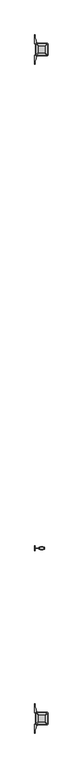
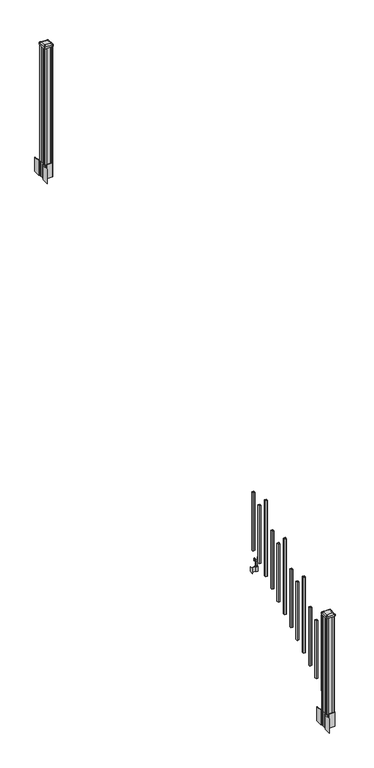
"""IFC4 building model written with IfcOpenShell, lengths in millimetres: railing geometry."""

from ifc_helpers import new_model, si_unit, point, frame, frame_2d, origin, place, context, project, spatial, polyline, circle_curve, trimmed, segment, composite_curve, outline, extrude, source, transform, mapped, element, save
from ifc_brep_helpers import plane_surface, extruded_surface, advanced_brep


def railing_63db56eb(model_context):
    return source(origin(), model_context, "Body", "SolidModel", [
        extrude(outline(polyline([(8341.1626478, -114690.6918453), (8322.1126478, -114690.6918453), (8322.1126478, -114671.6418453), (8341.1626478, -114671.6418453), (8341.1626478, -114690.6918453)]), holes=[polyline([(8340.7657728, -114690.2949703), (8340.7657728, -114672.0387203), (8322.5095228, -114672.0387203), (8322.5095228, -114690.2949703), (8340.7657728, -114690.2949703)])]), frame((0.0, 0.0, 1089.6558781), z_axis=(0.0, 0.0, 1.0), x_axis=(1.0, 0.0, 0.0)), (0.0, 0.0, 1.0), 622.3041219),
        extrude(outline(polyline([(8320.969648, -114738.0628453), (8281.5996478, -114738.0628453), (8281.5996478, -114735.5228453), (8320.969648, -114735.5228453), (8320.969648, -114738.0628453)])), frame((0.0, 0.0, 902.49375), z_axis=(0.0, 0.0, 1.0), x_axis=(1.0, 0.0, 0.0)), (0.0, 0.0, 1.0), 50.8),
        extrude(outline(polyline([(8281.5996478, -114755.8428453), (8279.0596478, -114755.8428453), (8279.0596478, -114717.7428453), (8281.5996478, -114717.7428453), (8281.5996478, -114755.8428453)])), frame((0.0, 0.0, 902.49375), z_axis=(0.0, 0.0, 1.0), x_axis=(1.0, 0.0, 0.0)), (0.0, 0.0, 1.0), 50.8),
        extrude(outline(polyline([(8342.3056485, -114746.6988453), (8320.969648, -114746.6988453), (8320.969648, -114726.8868453), (8342.3056485, -114726.8868453), (8342.3056485, -114746.6988453)]), holes=[polyline([(8339.0036484, -114744.1588453), (8339.0036484, -114729.4268453), (8324.2716481, -114729.4268453), (8324.2716481, -114744.1588453), (8339.0036484, -114744.1588453)])]), frame((0.0, 0.0, 902.49375), z_axis=(0.0, 0.0, 1.0), x_axis=(1.0, 0.0, 0.0)), (0.0, 0.0, 1.0), 50.8),
        extrude(outline(polyline([(1042.0141479, 8313.4766489), (1041.2521469, 8312.7146479), (1014.7617523, 8312.7146479), (1013.9997513, 8313.4766489), (1013.9997513, 8323.509648), (1013.2377512, 8324.2716481), (949.7377512, 8324.2716481), (949.7377512, 8339.0036484), (1013.2377512, 8339.0036484), (1013.9997513, 8339.7656485), (1013.9997513, 8349.7986475), (1014.7617523, 8350.5606486), (1041.2521469, 8350.5606486), (1042.0141479, 8349.7986475), (1042.0141479, 8347.766648), (1040.9981453, 8346.7506482), (1030.5623581, 8346.7506482), (1029.5463573, 8347.766648), (1017.555751, 8347.766648), (1016.7937519, 8347.0046488), (1016.7937519, 8316.2706477), (1017.555751, 8315.5086485), (1029.5463573, 8315.5086485), (1030.5623581, 8316.5246483), (1040.9981453, 8316.5246483), (1042.0141479, 8315.5086485), (1042.0141479, 8313.4766489)]), holes=[polyline([(1013.9997513, 8335.0666481), (1013.2377512, 8335.8286482), (957.2307531, 8335.8286482), (956.4687531, 8335.0666481), (956.4687531, 8328.2086455), (957.2307503, 8327.4466483), (1013.2377512, 8327.4466483), (1013.9997513, 8328.2086483), (1013.9997513, 8335.0666481)])]), frame((0.0, -114744.1588453, 0.0), z_axis=(0.0, 1.0, 0.0), x_axis=(0.0, 0.0, 1.0)), (0.0, 0.0, 1.0), 14.732),
        extrude(outline(polyline([(8341.1626478, -114801.9438453), (8322.1126478, -114801.9438453), (8322.1126478, -114782.8938453), (8341.1626478, -114782.8938453), (8341.1626478, -114801.9438453)]), holes=[polyline([(8340.7657728, -114801.5469703), (8340.7657728, -114783.2907203), (8322.5095228, -114783.2907203), (8322.5095228, -114801.5469703), (8340.7657728, -114801.5469703)])]), frame((0.0, 0.0, 1020.1233781), z_axis=(0.0, 0.0, 1.0), x_axis=(1.0, 0.0, 0.0)), (0.0, 0.0, 1.0), 622.3041219),
        extrude(outline(polyline([(8341.1626478, -114913.1958453), (8322.1126478, -114913.1958453), (8322.1126478, -114894.1458453), (8341.1626478, -114894.1458453), (8341.1626478, -114913.1958453)]), holes=[polyline([(8340.7657728, -114912.7989703), (8340.7657728, -114894.5427203), (8322.5095228, -114894.5427203), (8322.5095228, -114912.7989703), (8340.7657728, -114912.7989703)])]), frame((0.0, 0.0, 950.5908781), z_axis=(0.0, 0.0, 1.0), x_axis=(1.0, 0.0, 0.0)), (0.0, 0.0, 1.0), 812.8041219),
        extrude(outline(polyline([(8341.1626478, -115024.4478453), (8322.1126478, -115024.4478453), (8322.1126478, -115005.3978453), (8341.1626478, -115005.3978453), (8341.1626478, -115024.4478453)]), holes=[polyline([(8340.7657728, -115024.0509703), (8340.7657728, -115005.7947203), (8322.5095228, -115005.7947203), (8322.5095228, -115024.0509703), (8340.7657728, -115024.0509703)])]), frame((0.0, 0.0, 881.0583781), z_axis=(0.0, 0.0, 1.0), x_axis=(1.0, 0.0, 0.0)), (0.0, 0.0, 1.0), 622.3041219),
        extrude(outline(polyline([(8341.1626478, -115135.6998453), (8322.1126478, -115135.6998453), (8322.1126478, -115116.6498453), (8341.1626478, -115116.6498453), (8341.1626478, -115135.6998453)]), holes=[polyline([(8340.7657728, -115135.3029703), (8340.7657728, -115117.0467203), (8322.5095228, -115117.0467203), (8322.5095228, -115135.3029703), (8340.7657728, -115135.3029703)])]), frame((0.0, 0.0, 811.5258781), z_axis=(0.0, 0.0, 1.0), x_axis=(1.0, 0.0, 0.0)), (0.0, 0.0, 1.0), 622.3041219),
        extrude(outline(polyline([(8341.1626478, -115246.9518453), (8322.1126478, -115246.9518453), (8322.1126478, -115227.9018453), (8341.1626478, -115227.9018453), (8341.1626478, -115246.9518453)]), holes=[polyline([(8340.7657728, -115246.5549703), (8340.7657728, -115228.2987203), (8322.5095228, -115228.2987203), (8322.5095228, -115246.5549703), (8340.7657728, -115246.5549703)])]), frame((0.0, 0.0, 741.9933781), z_axis=(0.0, 0.0, 1.0), x_axis=(1.0, 0.0, 0.0)), (0.0, 0.0, 1.0), 812.8041219),
        extrude(outline(polyline([(8341.1626478, -115358.2038453), (8322.1126478, -115358.2038453), (8322.1126478, -115339.1538453), (8341.1626478, -115339.1538453), (8341.1626478, -115358.2038453)]), holes=[polyline([(8340.7657728, -115357.8069703), (8340.7657728, -115339.5507203), (8322.5095228, -115339.5507203), (8322.5095228, -115357.8069703), (8340.7657728, -115357.8069703)])]), frame((0.0, 0.0, 672.4608781), z_axis=(0.0, 0.0, 1.0), x_axis=(1.0, 0.0, 0.0)), (0.0, 0.0, 1.0), 622.3041219),
        extrude(outline(polyline([(8341.1626478, -115469.4558453), (8322.1126478, -115469.4558453), (8322.1126478, -115450.4058453), (8341.1626478, -115450.4058453), (8341.1626478, -115469.4558453)]), holes=[polyline([(8340.7657728, -115469.0589703), (8340.7657728, -115450.8027203), (8322.5095228, -115450.8027203), (8322.5095228, -115469.0589703), (8340.7657728, -115469.0589703)])]), frame((0.0, 0.0, 602.9283781), z_axis=(0.0, 0.0, 1.0), x_axis=(1.0, 0.0, 0.0)), (0.0, 0.0, 1.0), 622.3041219),
        extrude(outline(polyline([(8341.1626478, -115580.7078453), (8322.1126478, -115580.7078453), (8322.1126478, -115561.6578453), (8341.1626478, -115561.6578453), (8341.1626478, -115580.7078453)]), holes=[polyline([(8340.7657728, -115580.3109703), (8340.7657728, -115562.0547203), (8322.5095228, -115562.0547203), (8322.5095228, -115580.3109703), (8340.7657728, -115580.3109703)])]), frame((0.0, 0.0, 533.3958781), z_axis=(0.0, 0.0, 1.0), x_axis=(1.0, 0.0, 0.0)), (0.0, 0.0, 1.0), 812.8041219),
        extrude(outline(polyline([(8341.1626478, -115691.9598453), (8322.1126478, -115691.9598453), (8322.1126478, -115672.9098453), (8341.1626478, -115672.9098453), (8341.1626478, -115691.9598453)]), holes=[polyline([(8340.7657728, -115691.5629703), (8340.7657728, -115673.3067203), (8322.5095228, -115673.3067203), (8322.5095228, -115691.5629703), (8340.7657728, -115691.5629703)])]), frame((0.0, 0.0, 463.8633781), z_axis=(0.0, 0.0, 1.0), x_axis=(1.0, 0.0, 0.0)), (0.0, 0.0, 1.0), 622.3041219),
        extrude(outline(polyline([(8341.1626478, -115803.2118453), (8322.1126478, -115803.2118453), (8322.1126478, -115784.1618453), (8341.1626478, -115784.1618453), (8341.1626478, -115803.2118453)]), holes=[polyline([(8340.7657728, -115802.8149703), (8340.7657728, -115784.5587203), (8322.5095228, -115784.5587203), (8322.5095228, -115802.8149703), (8340.7657728, -115802.8149703)])]), frame((0.0, 0.0, 394.3308781), z_axis=(0.0, 0.0, 1.0), x_axis=(1.0, 0.0, 0.0)), (0.0, 0.0, 1.0), 622.3041219),
        extrude(outline(polyline([(8341.1626478, -115914.4638453), (8322.1126478, -115914.4638453), (8322.1126478, -115895.4138453), (8341.1626478, -115895.4138453), (8341.1626478, -115914.4638453)]), holes=[polyline([(8340.7657728, -115914.0669703), (8340.7657728, -115895.8107203), (8322.5095228, -115895.8107203), (8322.5095228, -115914.0669703), (8340.7657728, -115914.0669703)])]), frame((0.0, 0.0, 324.7983781), z_axis=(0.0, 0.0, 1.0), x_axis=(1.0, 0.0, 0.0)), (0.0, 0.0, 1.0), 812.8041219),
        extrude(outline(polyline([(8291.9501478, -111080.3358453), (8290.3626478, -111078.7483453), (8290.3626478, -111059.1268453), (8291.9501478, -111058.3648453), (8291.9501478, -111019.7568453), (8290.3626478, -111018.9948453), (8290.3626478, -110999.3733453), (8291.9501478, -110997.7858453), (8311.5716478, -110997.7858453), (8312.3336478, -110999.3733453), (8350.9416478, -110999.3733453), (8351.7036478, -110997.7858453), (8371.3251478, -110997.7858453), (8372.9126478, -110999.3733453), (8372.9126478, -111018.9948453), (8371.3251478, -111019.7568453), (8371.3251478, -111058.3648453), (8372.9126478, -111059.1268453), (8372.9126478, -111078.7483453), (8371.3251478, -111080.3358453), (8351.7036478, -111080.3358453), (8350.9416478, -111078.7483453), (8312.3336478, -111078.7483453), (8311.5716478, -111080.3358453), (8291.9501478, -111080.3358453)])), frame((0.0, 0.0, 3048.0), z_axis=(0.0, 0.0, 1.0), x_axis=(1.0, 0.0, 0.0)), (0.0, 0.0, 1.0), 1247.740513),
        extrude(outline(composite_curve([segment(polyline([(8374.3731478, -111056.4469401), (8375.9606478, -111057.2089401), (8375.9606478, -111080.0108682), (8372.5876707, -111083.3838453), (8311.1279999, -111083.3838453), (8311.1279999, -111084.3045953), (8305.8104561, -111084.3045953), (8305.8104561, -111085.75885), (8300.7259264, -111085.75885), (8300.7259264, -111087.0428738), (8299.0586541, -111087.0428738)]), True, "CONTINUOUS"), segment(trimmed(circle_curve(frame_2d((8299.0586541, -111094.1023337)), 7.0594599), [point((8299.0586541, -111087.0428738))], [point((8292.2913912, -111092.092327))], True, "CARTESIAN"), True, "CONTINUOUS"), segment(polyline([(8292.2913912, -111092.092327), (8284.4171969, -111118.6030561)]), True, "CONTINUOUS"), segment(trimmed(circle_curve(frame_2d((8339.2017103, -111134.8751057)), 57.15), [point((8284.4171969, -111118.6030561))], [point((8282.0517103, -111134.8751057))], True, "CARTESIAN"), True, "CONTINUOUS"), segment(polyline([(8282.0517103, -111134.8751057), (8282.0517103, -111146.8838453), (8279.0517103, -111146.8838453), (8279.0517103, -111081.7963453), (8287.3146478, -111070.458054), (8287.3146478, -111057.2089401), (8288.9021478, -111056.4469401), (8288.9021478, -111021.6747504), (8287.3146478, -111020.9127504), (8287.3146478, -111007.6636366), (8279.0517103, -110996.3253453), (8279.0517103, -110931.2378453), (8282.0517103, -110931.2378453), (8282.0517103, -110943.2465848)]), True, "CONTINUOUS"), segment(trimmed(circle_curve(frame_2d((8339.2017103, -110943.2465848)), 57.15), [point((8282.0517103, -110943.2465848))], [point((8284.4171969, -110959.5186345))], True, "CARTESIAN"), True, "CONTINUOUS"), segment(polyline([(8284.4171969, -110959.5186345), (8292.2913912, -110986.0293636)]), True, "CONTINUOUS"), segment(trimmed(circle_curve(frame_2d((8299.0586541, -110984.0193569)), 7.0594599), [point((8292.2913912, -110986.0293636))], [point((8299.0586541, -110991.0788168))], True, "CARTESIAN"), True, "CONTINUOUS"), segment(polyline([(8299.0586541, -110991.0788168), (8300.7259264, -110991.0788168), (8300.7259264, -110992.3628406), (8305.8104561, -110992.3628406), (8305.8104561, -110993.8170953), (8311.1279999, -110993.8170953), (8311.1279999, -110994.7378453), (8372.5876707, -110994.7378453), (8375.9606478, -110998.1108224), (8375.9606478, -111020.9127504), (8374.3731478, -111021.6747504), (8374.3731478, -111056.4469401)]), True, "CONTINUOUS")], self_intersect=False), holes=[polyline([(8290.3626478, -110999.3733453), (8290.3626478, -111078.7483453), (8291.9501478, -111080.3358453), (8328.8744304, -111080.3358453), (8371.3251478, -111080.3358453), (8372.9126478, -111078.7483453), (8372.9126478, -110999.3733453), (8371.3251478, -110997.7858453), (8328.8744304, -110997.7858453), (8291.9501478, -110997.7858453), (8290.3626478, -110999.3733453)])]), frame((0.0, 0.0, 2895.6), z_axis=(0.0, 0.0, 1.0), x_axis=(1.0, 0.0, 0.0)), (0.0, 0.0, 1.0), 152.4),
        advanced_brep(
        [(8305.8407728, -111068.0327203, 4324.315513), (8357.4345228, -111068.0327203, 4324.315513), (8360.6095228, -111064.8577203, 4324.315513), (8360.6095228, -111013.2639703, 4324.315513), (8357.4345228, -111010.0889703, 4324.315513), (8305.8407728, -111010.0889703, 4324.315513), (8302.6657728, -111013.2639703, 4324.315513), (8302.6657728, -111064.8577203, 4324.315513), (8289.5688978, -111084.3045953, 4313.012513), (8286.3938978, -111081.1295953, 4313.012513), (8286.3938978, -110996.9920953, 4313.012513), (8289.5688978, -110993.8170953, 4313.012513), (8373.7063978, -110993.8170953, 4313.012513), (8376.8813978, -110996.9920953, 4313.012513), (8376.8813978, -111081.1295953, 4313.012513), (8373.7063978, -111084.3045953, 4313.012513)],
        [
            (0, 1),
            (1, 2, circle_curve(frame((8357.4345228, -111064.8577203, 4324.315513), z_axis=(0.0, 0.0, 1.0), x_axis=(0.0, 1.0, 0.0)), 3.175)),
            (2, 3),
            (3, 4, circle_curve(frame((8357.4345228, -111013.2639703, 4324.315513), z_axis=(0.0, 0.0, 1.0), x_axis=(0.0, 1.0, 0.0)), 3.175)),
            (4, 5),
            (5, 6, circle_curve(frame((8305.8407728, -111013.2639703, 4324.315513), z_axis=(0.0, 0.0, 1.0), x_axis=(0.0, 1.0, 0.0)), 3.175)),
            (6, 7),
            (7, 0, circle_curve(frame((8305.8407728, -111064.8577203, 4324.315513), z_axis=(0.0, 0.0, 1.0), x_axis=(0.0, 1.0, 0.0)), 3.175)),
            (8, 9, circle_curve(frame((8289.5688978, -111081.1295953, 4313.012513), z_axis=(0.0, 0.0, -1.0), x_axis=(0.0, 1.0, 0.0)), 3.175)),
            (9, 10),
            (10, 11, circle_curve(frame((8289.5688978, -110996.9920953, 4313.012513), z_axis=(0.0, 0.0, -1.0), x_axis=(0.0, 1.0, 0.0)), 3.175)),
            (11, 12),
            (12, 13, circle_curve(frame((8373.7063978, -110996.9920953, 4313.012513), z_axis=(0.0, 0.0, -1.0), x_axis=(0.0, 1.0, 0.0)), 3.175)),
            (13, 14),
            (14, 15, circle_curve(frame((8373.7063978, -111081.1295953, 4313.012513), z_axis=(0.0, 0.0, -1.0), x_axis=(0.0, 1.0, 0.0)), 3.175)),
            (15, 8),
            (8, 0),
            (7, 9),
            (6, 10),
            (5, 11),
            (4, 12),
            (3, 13),
            (2, 14),
            (1, 15),
        ],
        [
            plane_surface(frame((8331.6376478, -111039.0608453, 4324.315513), z_axis=(0.0, 0.0, 1.0), x_axis=(-1.0, 0.0, 0.0))),
            plane_surface(frame((8331.6376478, -111039.0608453, 4313.012513), z_axis=(0.0, 0.0, -1.0), x_axis=(-1.0, 0.0, 0.0))),
            extruded_surface(trimmed(circle_curve(frame((8305.8407728, -111064.8577203, 4324.315513), z_axis=(0.0, 0.0, -1.0), x_axis=(0.0, 1.0, 0.0)), 3.175), [point((8305.8407728, -111068.0327203, 4324.315513))], [point((8302.6657728, -111064.8577203, 4324.315513))], True, "CARTESIAN"), (-16.271875000000364, -16.27187499999127, -11.302999999999884), 25.637972638860802),
            plane_surface(frame((8286.3938978, -111039.0608453, 4313.012513), z_axis=(-0.5705009161540687, 0.0, 0.8212969649690472), x_axis=(0.0, 1.0, 0.0))),
            extruded_surface(trimmed(circle_curve(frame((8305.8407728, -111013.2639703, 4324.315513), z_axis=(0.0, 0.0, -1.0), x_axis=(0.0, 1.0, 0.0)), 3.175), [point((8302.6657728, -111013.2639703, 4324.315513))], [point((8305.8407728, -111010.0889703, 4324.315513))], True, "CARTESIAN"), (-16.271875000000364, 16.27187500000582, -11.302999999999884), 25.637972638870036),
            plane_surface(frame((8331.6376478, -110993.8170953, 4313.012513), z_axis=(0.0, 0.5705009161540291, 0.8212969649690747), x_axis=(1.0, 0.0, 0.0))),
            extruded_surface(trimmed(circle_curve(frame((8357.4345228, -111013.2639703, 4324.315513), z_axis=(0.0, 0.0, -1.0), x_axis=(0.0, 1.0, 0.0)), 3.175), [point((8357.4345228, -111010.0889703, 4324.315513))], [point((8360.6095228, -111013.2639703, 4324.315513))], True, "CARTESIAN"), (16.271875000000364, 16.27187500000582, -11.302999999999884), 25.637972638870036),
            plane_surface(frame((8376.8813978, -111039.0608453, 4313.012513), z_axis=(0.5705009161540233, 0.0, 0.8212969649690787), x_axis=(0.0, -1.0, 0.0))),
            extruded_surface(trimmed(circle_curve(frame((8357.4345228, -111064.8577203, 4324.315513), z_axis=(0.0, 0.0, -1.0), x_axis=(0.0, 1.0, 0.0)), 3.175), [point((8360.6095228, -111064.8577203, 4324.315513))], [point((8357.4345228, -111068.0327203, 4324.315513))], True, "CARTESIAN"), (16.271875000000364, -16.27187499999127, -11.302999999999884), 25.637972638860802),
            plane_surface(frame((8331.6376478, -111084.3045953, 4313.012513), z_axis=(0.0, -0.570500916154034, 0.8212969649690713), x_axis=(-1.0, 0.0, 0.0))),
        ],
        [
            (0, [[1, 2, 3, 4, 5, 6, 7, 8]]),
            (1, [[9, 10, 11, 12, 13, 14, 15, 16]]),
            (2, [[17, -8, 18, -9]]),
            (3, [[-18, -7, 19, -10]]),
            (4, [[-19, -6, 20, -11]]),
            (5, [[-20, -5, 21, -12]]),
            (6, [[-21, -4, 22, -13]]),
            (7, [[-22, -3, 23, -14]]),
            (8, [[-23, -2, 24, -15]]),
            (9, [[-24, -1, -17, -16]]),
        ],
    ),
        extrude(outline(composite_curve([segment(trimmed(circle_curve(frame_2d((8289.5688978, -111081.1295953)), 3.175), [point((8289.5688978, -111084.3045953))], [point((8286.3938978, -111081.1295953))], False, "CARTESIAN"), True, "CONTINUOUS"), segment(polyline([(8286.3938978, -111081.1295953), (8286.3938978, -110996.9920953)]), True, "CONTINUOUS"), segment(trimmed(circle_curve(frame_2d((8289.5688978, -110996.9920953)), 3.175), [point((8286.3938978, -110996.9920953))], [point((8289.5688978, -110993.8170953))], False, "CARTESIAN"), True, "CONTINUOUS"), segment(polyline([(8289.5688978, -110993.8170953), (8373.7063978, -110993.8170953)]), True, "CONTINUOUS"), segment(trimmed(circle_curve(frame_2d((8373.7063978, -110996.9920953)), 3.175), [point((8373.7063978, -110993.8170953))], [point((8376.8813978, -110996.9920953))], False, "CARTESIAN"), True, "CONTINUOUS"), segment(polyline([(8376.8813978, -110996.9920953), (8376.8813978, -111081.1295953)]), True, "CONTINUOUS"), segment(trimmed(circle_curve(frame_2d((8373.7063978, -111081.1295953)), 3.175), [point((8376.8813978, -111081.1295953))], [point((8373.7063978, -111084.3045953))], False, "CARTESIAN"), True, "CONTINUOUS"), segment(polyline([(8373.7063978, -111084.3045953), (8289.5688978, -111084.3045953)]), True, "CONTINUOUS")], self_intersect=False)), frame((0.0, 0.0, 4295.740513), z_axis=(0.0, 0.0, 1.0), x_axis=(1.0, 0.0, 0.0)), (0.0, 0.0, 1.0), 17.272),
        extrude(outline(composite_curve([segment(polyline([(8374.3731478, -116016.0509401), (8375.9606478, -116016.8129401), (8375.9606478, -116039.6148682), (8372.5876707, -116042.9878453), (8311.1279999, -116042.9878453), (8311.1279999, -116043.9085953), (8305.8104561, -116043.9085953), (8305.8104561, -116045.36285), (8300.7259264, -116045.36285), (8300.7259264, -116046.6468738), (8299.0586541, -116046.6468738)]), True, "CONTINUOUS"), segment(trimmed(circle_curve(frame_2d((8299.0586541, -116053.7063337)), 7.0594599), [point((8299.0586541, -116046.6468738))], [point((8292.2913912, -116051.696327))], True, "CARTESIAN"), True, "CONTINUOUS"), segment(polyline([(8292.2913912, -116051.696327), (8284.4171969, -116078.2070561)]), True, "CONTINUOUS"), segment(trimmed(circle_curve(frame_2d((8339.2017103, -116094.4791057)), 57.15), [point((8284.4171969, -116078.2070561))], [point((8282.0517103, -116094.4791057))], True, "CARTESIAN"), True, "CONTINUOUS"), segment(polyline([(8282.0517103, -116094.4791057), (8282.0517103, -116106.4878453), (8279.0517103, -116106.4878453), (8279.0517103, -116041.4003453), (8287.3146478, -116030.062054), (8287.3146478, -116016.8129401), (8288.9021478, -116016.0509401), (8288.9021478, -115981.2787504), (8287.3146478, -115980.5167504), (8287.3146478, -115967.2676366), (8279.0517103, -115955.9293453), (8279.0517103, -115890.8418453), (8282.0517103, -115890.8418453), (8282.0517103, -115902.8505848)]), True, "CONTINUOUS"), segment(trimmed(circle_curve(frame_2d((8339.2017103, -115902.8505848)), 57.15), [point((8282.0517103, -115902.8505848))], [point((8284.4171969, -115919.1226345))], True, "CARTESIAN"), True, "CONTINUOUS"), segment(polyline([(8284.4171969, -115919.1226345), (8292.2913912, -115945.6333636)]), True, "CONTINUOUS"), segment(trimmed(circle_curve(frame_2d((8299.0586541, -115943.6233569)), 7.0594599), [point((8292.2913912, -115945.6333636))], [point((8299.0586541, -115950.6828168))], True, "CARTESIAN"), True, "CONTINUOUS"), segment(polyline([(8299.0586541, -115950.6828168), (8300.7259264, -115950.6828168), (8300.7259264, -115951.9668406), (8305.8104561, -115951.9668406), (8305.8104561, -115953.4210953), (8311.1279999, -115953.4210953), (8311.1279999, -115954.3418453), (8372.5876707, -115954.3418453), (8375.9606478, -115957.7148224), (8375.9606478, -115980.5167504), (8374.3731478, -115981.2787504), (8374.3731478, -116016.0509401)]), True, "CONTINUOUS")], self_intersect=False), holes=[polyline([(8290.3626478, -115958.9773453), (8290.3626478, -116038.3523453), (8291.9501478, -116039.9398453), (8328.8744304, -116039.9398453), (8371.3251478, -116039.9398453), (8372.9126478, -116038.3523453), (8372.9126478, -115958.9773453), (8371.3251478, -115957.3898453), (8328.8744304, -115957.3898453), (8291.9501478, -115957.3898453), (8290.3626478, -115958.9773453)])]), frame((0.0, 0.0, 12.22375), z_axis=(0.0, 0.0, 1.0), x_axis=(1.0, 0.0, 0.0)), (0.0, 0.0, 1.0), 152.4),
        advanced_brep(
        [(8305.8407728, -116027.6367203, 1224.563013), (8357.4345228, -116027.6367203, 1224.563013), (8360.6095228, -116024.4617203, 1224.563013), (8360.6095228, -115972.8679703, 1224.563013), (8357.4345228, -115969.6929703, 1224.563013), (8305.8407728, -115969.6929703, 1224.563013), (8302.6657728, -115972.8679703, 1224.563013), (8302.6657728, -116024.4617203, 1224.563013), (8289.5688978, -116043.9085953, 1213.260013), (8286.3938978, -116040.7335953, 1213.260013), (8286.3938978, -115956.5960953, 1213.260013), (8289.5688978, -115953.4210953, 1213.260013), (8373.7063978, -115953.4210953, 1213.260013), (8376.8813978, -115956.5960953, 1213.260013), (8376.8813978, -116040.7335953, 1213.260013), (8373.7063978, -116043.9085953, 1213.260013)],
        [
            (0, 1),
            (1, 2, circle_curve(frame((8357.4345228, -116024.4617203, 1224.563013), z_axis=(0.0, 0.0, 1.0), x_axis=(0.0, 1.0, 0.0)), 3.175)),
            (2, 3),
            (3, 4, circle_curve(frame((8357.4345228, -115972.8679703, 1224.563013), z_axis=(0.0, 0.0, 1.0), x_axis=(0.0, 1.0, 0.0)), 3.175)),
            (4, 5),
            (5, 6, circle_curve(frame((8305.8407728, -115972.8679703, 1224.563013), z_axis=(0.0, 0.0, 1.0), x_axis=(0.0, 1.0, 0.0)), 3.175)),
            (6, 7),
            (7, 0, circle_curve(frame((8305.8407728, -116024.4617203, 1224.563013), z_axis=(0.0, 0.0, 1.0), x_axis=(0.0, 1.0, 0.0)), 3.175)),
            (8, 9, circle_curve(frame((8289.5688978, -116040.7335953, 1213.260013), z_axis=(0.0, 0.0, -1.0), x_axis=(0.0, 1.0, 0.0)), 3.175)),
            (9, 10),
            (10, 11, circle_curve(frame((8289.5688978, -115956.5960953, 1213.260013), z_axis=(0.0, 0.0, -1.0), x_axis=(0.0, 1.0, 0.0)), 3.175)),
            (11, 12),
            (12, 13, circle_curve(frame((8373.7063978, -115956.5960953, 1213.260013), z_axis=(0.0, 0.0, -1.0), x_axis=(0.0, 1.0, 0.0)), 3.175)),
            (13, 14),
            (14, 15, circle_curve(frame((8373.7063978, -116040.7335953, 1213.260013), z_axis=(0.0, 0.0, -1.0), x_axis=(0.0, 1.0, 0.0)), 3.175)),
            (15, 8),
            (8, 0),
            (7, 9),
            (6, 10),
            (5, 11),
            (4, 12),
            (3, 13),
            (2, 14),
            (1, 15),
        ],
        [
            plane_surface(frame((8331.6376478, -115998.6648453, 1224.563013), z_axis=(0.0, 0.0, 1.0), x_axis=(-1.0, 0.0, 0.0))),
            plane_surface(frame((8331.6376478, -115998.6648453, 1213.260013), z_axis=(0.0, 0.0, -1.0), x_axis=(-1.0, 0.0, 0.0))),
            extruded_surface(trimmed(circle_curve(frame((8305.8407728, -116024.4617203, 1224.563013), z_axis=(0.0, 0.0, -1.0), x_axis=(0.0, 1.0, 0.0)), 3.175), [point((8305.8407728, -116027.6367203, 1224.563013))], [point((8302.6657728, -116024.4617203, 1224.563013))], True, "CARTESIAN"), (-16.271875000000364, -16.27187500000582, -11.302999999999884), 25.637972638870036),
            plane_surface(frame((8286.3938978, -115998.6648453, 1213.260013), z_axis=(-0.5705009161540778, 0.0, 0.8212969649690408), x_axis=(0.0, 1.0, 0.0))),
            extruded_surface(trimmed(circle_curve(frame((8305.8407728, -115972.8679703, 1224.563013), z_axis=(0.0, 0.0, -1.0), x_axis=(0.0, 1.0, 0.0)), 3.175), [point((8302.6657728, -115972.8679703, 1224.563013))], [point((8305.8407728, -115969.6929703, 1224.563013))], True, "CARTESIAN"), (-16.271875000000364, 16.27187499999127, -11.302999999999884), 25.637972638860802),
            plane_surface(frame((8331.6376478, -115953.4210953, 1213.260013), z_axis=(0.0, 0.5705009161540291, 0.8212969649690747), x_axis=(1.0, 0.0, 0.0))),
            extruded_surface(trimmed(circle_curve(frame((8357.4345228, -115972.8679703, 1224.563013), z_axis=(0.0, 0.0, -1.0), x_axis=(0.0, 1.0, 0.0)), 3.175), [point((8357.4345228, -115969.6929703, 1224.563013))], [point((8360.6095228, -115972.8679703, 1224.563013))], True, "CARTESIAN"), (16.271875000000364, 16.27187499999127, -11.302999999999884), 25.637972638860802),
            plane_surface(frame((8376.8813978, -115998.6648453, 1213.260013), z_axis=(0.5705009161540142, 0.0, 0.8212969649690851), x_axis=(0.0, -1.0, 0.0))),
            extruded_surface(trimmed(circle_curve(frame((8357.4345228, -116024.4617203, 1224.563013), z_axis=(0.0, 0.0, -1.0), x_axis=(0.0, 1.0, 0.0)), 3.175), [point((8360.6095228, -116024.4617203, 1224.563013))], [point((8357.4345228, -116027.6367203, 1224.563013))], True, "CARTESIAN"), (16.271875000000364, -16.27187500000582, -11.302999999999884), 25.637972638870036),
            plane_surface(frame((8331.6376478, -116043.9085953, 1213.260013), z_axis=(0.0, -0.570500916154034, 0.8212969649690713), x_axis=(-1.0, 0.0, 0.0))),
        ],
        [
            (0, [[1, 2, 3, 4, 5, 6, 7, 8]]),
            (1, [[9, 10, 11, 12, 13, 14, 15, 16]]),
            (2, [[17, -8, 18, -9]]),
            (3, [[-18, -7, 19, -10]]),
            (4, [[-19, -6, 20, -11]]),
            (5, [[-20, -5, 21, -12]]),
            (6, [[-21, -4, 22, -13]]),
            (7, [[-22, -3, 23, -14]]),
            (8, [[-23, -2, 24, -15]]),
            (9, [[-24, -1, -17, -16]]),
        ],
    ),
        extrude(outline(composite_curve([segment(trimmed(circle_curve(frame_2d((8289.5688978, -116040.7335953)), 3.175), [point((8289.5688978, -116043.9085953))], [point((8286.3938978, -116040.7335953))], False, "CARTESIAN"), True, "CONTINUOUS"), segment(polyline([(8286.3938978, -116040.7335953), (8286.3938978, -115956.5960953)]), True, "CONTINUOUS"), segment(trimmed(circle_curve(frame_2d((8289.5688978, -115956.5960953)), 3.175), [point((8286.3938978, -115956.5960953))], [point((8289.5688978, -115953.4210953))], False, "CARTESIAN"), True, "CONTINUOUS"), segment(polyline([(8289.5688978, -115953.4210953), (8373.7063978, -115953.4210953)]), True, "CONTINUOUS"), segment(trimmed(circle_curve(frame_2d((8373.7063978, -115956.5960953)), 3.175), [point((8373.7063978, -115953.4210953))], [point((8376.8813978, -115956.5960953))], False, "CARTESIAN"), True, "CONTINUOUS"), segment(polyline([(8376.8813978, -115956.5960953), (8376.8813978, -116040.7335953)]), True, "CONTINUOUS"), segment(trimmed(circle_curve(frame_2d((8373.7063978, -116040.7335953)), 3.175), [point((8376.8813978, -116040.7335953))], [point((8373.7063978, -116043.9085953))], False, "CARTESIAN"), True, "CONTINUOUS"), segment(polyline([(8373.7063978, -116043.9085953), (8289.5688978, -116043.9085953)]), True, "CONTINUOUS")], self_intersect=False)), frame((0.0, 0.0, 1195.988013), z_axis=(0.0, 0.0, 1.0), x_axis=(1.0, 0.0, 0.0)), (0.0, 0.0, 1.0), 17.272),
        extrude(outline(polyline([(8291.9501478, -116039.9398453), (8290.3626478, -116038.3523453), (8290.3626478, -116018.7308453), (8291.9501478, -116017.9688453), (8291.9501478, -115979.3608453), (8290.3626478, -115978.5988453), (8290.3626478, -115958.9773453), (8291.9501478, -115957.3898453), (8311.5716478, -115957.3898453), (8312.3336478, -115958.9773453), (8350.9416478, -115958.9773453), (8351.7036478, -115957.3898453), (8371.3251478, -115957.3898453), (8372.9126478, -115958.9773453), (8372.9126478, -115978.5988453), (8371.3251478, -115979.3608453), (8371.3251478, -116017.9688453), (8372.9126478, -116018.7308453), (8372.9126478, -116038.3523453), (8371.3251478, -116039.9398453), (8351.7036478, -116039.9398453), (8350.9416478, -116038.3523453), (8312.3336478, -116038.3523453), (8311.5716478, -116039.9398453), (8291.9501478, -116039.9398453)])), frame((0.0, 0.0, 164.62375), z_axis=(0.0, 0.0, 1.0), x_axis=(1.0, 0.0, 0.0)), (0.0, 0.0, 1.0), 1031.364263),
    ])


if __name__ == "__main__":
    model = new_model("IFC4")
    model_context = context("Model", 3, world=origin())
    ifc_project = project(units=[si_unit("LENGTHUNIT", "METRE", prefix="MILLI")], contexts=[model_context])
    site = spatial("IfcSite", under=ifc_project)
    building = spatial("IfcBuilding", under=site)
    placement = place(None, origin())
    railing_shape = railing_63db56eb(model_context)
    element("IfcRailing", 1, at=placement, inside=building, context=model_context, shape_type="MappedRepresentation", body=[
        mapped(railing_shape, transform((0.0, 0.0, 0.0), x_axis=(1.0, 0.0, 0.0), y_axis=(0.0, 1.0, 0.0), z_axis=(0.0, 0.0, 1.0))),
    ])
    save(model, "model.ifc")
